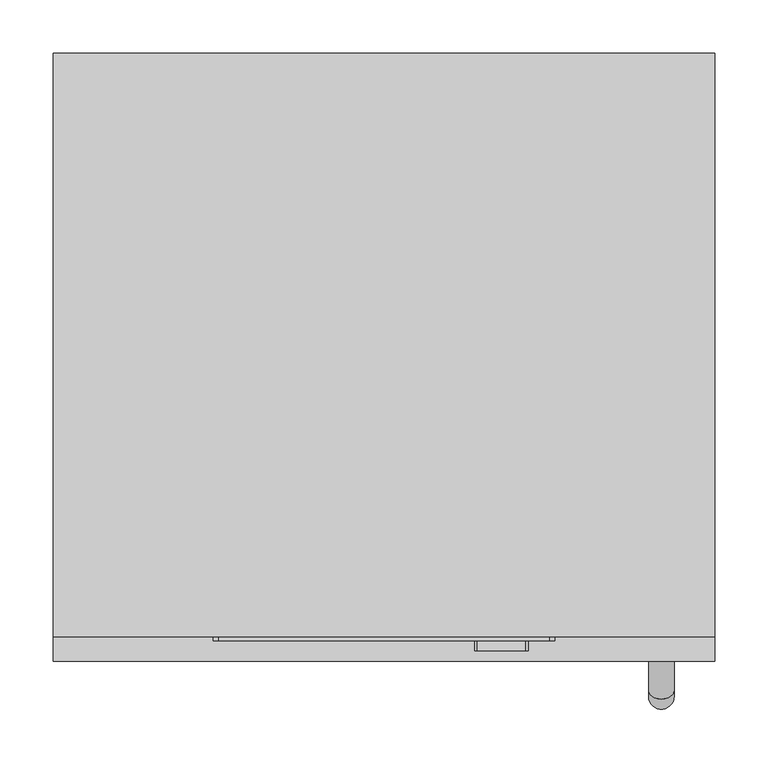
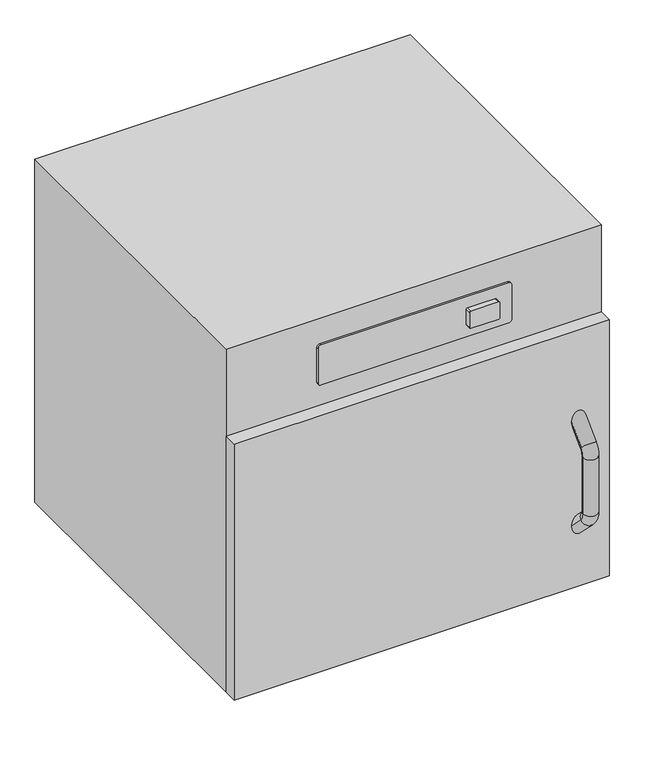
"""IFC4 building model written with IfcOpenShell, lengths in millimetres: proxy geometry."""

from ifc_helpers import new_model, si_unit, point, frame, frame_2d, origin, origin_with_axes, place, context, project, spatial, polyline, circle_curve, ellipse_curve, trimmed, segment, composite_curve, outline, extrude, source, transform, mapped, element, save
from ifc_brep_helpers import plane_surface, cylinder_surface, revolved_surface, advanced_brep


def specialty_equipment_438b1718(model_context):
    return source(origin(), model_context, "Body", "SolidModel", [
        extrude(outline(polyline([(285.0, 260.0), (285.0, -237.0601955), (-285.0, -237.0601955), (-285.0, 260.0), (285.0, 260.0)])), origin_with_axes(), (0.0, 0.0, 1.0), 30.28475),
        advanced_brep(
        [(248.0, -262.0601955, 342.780744), (272.0, -262.0601955, 342.780744), (248.0, -311.9082174, 292.9327221), (272.0, -311.9082174, 292.9327221), (272.0, -317.7660818, 278.7905865), (248.0, -317.7660818, 278.7905865), (248.0, -317.7660818, 180.359129), (272.0, -317.7660818, 180.359129), (248.0, -262.0601955, 116.3689715), (272.0, -262.0601955, 116.3689715), (272.0, -311.9082174, 166.2169934), (248.0, -311.9082174, 166.2169934)],
        [
            (0, 1, circle_curve(frame((260.0, -262.0601955, 342.780744), z_axis=(0.0, 0.7071067811865482, 0.7071067811865468), x_axis=(1.0, 0.0, 0.0)), 12.0)),
            (1, 0, circle_curve(frame((260.0, -262.0601955, 342.780744), z_axis=(0.0, 0.7071067811865482, 0.7071067811865468), x_axis=(1.0, 0.0, 0.0)), 12.0)),
            (0, 2),
            (2, 3, circle_curve(frame((260.0, -311.9082174, 292.9327221), z_axis=(0.0, 0.7071067811865482, 0.7071067811865468), x_axis=(1.0, 0.0, 0.0)), 12.0)),
            (3, 1),
            (3, 2, circle_curve(frame((260.0, -311.9082174, 292.9327221), z_axis=(0.0, 0.7071067811865482, 0.7071067811865468), x_axis=(1.0, 0.0, 0.0)), 12.0)),
            (4, 3, circle_curve(frame((272.0, -297.7660818, 278.7905865), z_axis=(-1.0, 0.0, 0.0), x_axis=(0.0, -0.7071067811865424, 0.7071067811865527)), 20.0)),
            (2, 5, circle_curve(frame((248.0, -297.7660818, 278.7905865), z_axis=(1.0, 0.0, 0.0), x_axis=(0.0, -0.7071067811865424, 0.7071067811865527)), 20.0)),
            (5, 4, circle_curve(frame((260.0, -317.7660818, 278.7905865), z_axis=(0.0, 0.0, 1.0), x_axis=(1.0, 0.0, 0.0)), 12.0)),
            (4, 5, circle_curve(frame((260.0, -317.7660818, 278.7905865), z_axis=(0.0, 0.0, 1.0), x_axis=(1.0, 0.0, 0.0)), 12.0)),
            (5, 6),
            (6, 7, circle_curve(frame((260.0, -317.7660818, 180.359129), z_axis=(0.0, 0.0, 1.0), x_axis=(1.0, 0.0, 0.0)), 12.0)),
            (7, 4),
            (7, 6, circle_curve(frame((260.0, -317.7660818, 180.359129), z_axis=(0.0, 0.0, 1.0), x_axis=(1.0, 0.0, 0.0)), 12.0)),
            (8, 9, circle_curve(frame((260.0, -262.0601955, 116.3689715), z_axis=(0.0, 0.7071067811865528, -0.7071067811865425), x_axis=(1.0, 0.0, 0.0)), 12.0)),
            (9, 8, circle_curve(frame((260.0, -262.0601955, 116.3689715), z_axis=(0.0, 0.7071067811865528, -0.7071067811865425), x_axis=(1.0, 0.0, 0.0)), 12.0)),
            (10, 7, circle_curve(frame((272.0, -297.7660818, 180.359129), z_axis=(-1.0, 0.0, 0.0), x_axis=(0.0, -1.0, 0.0)), 20.0)),
            (6, 11, circle_curve(frame((248.0, -297.7660818, 180.359129), z_axis=(1.0, 0.0, 0.0), x_axis=(0.0, -1.0, 0.0)), 20.0)),
            (11, 10, circle_curve(frame((260.0, -311.9082174, 166.2169934), z_axis=(0.0, -0.7071067811865582, 0.7071067811865368), x_axis=(1.0, 0.0, 0.0)), 12.0)),
            (10, 11, circle_curve(frame((260.0, -311.9082174, 166.2169934), z_axis=(0.0, -0.7071067811865566, 0.7071067811865385), x_axis=(1.0, 0.0, 0.0)), 12.0)),
            (11, 8),
            (9, 10),
        ],
        [
            plane_surface(frame((0.0, -262.0601955, 342.780744), z_axis=(0.0, 0.7071067811865482, 0.7071067811865468), x_axis=(1.0, 0.0, 0.0))),
            cylinder_surface(frame((260.0, -262.0601955, 342.780744), z_axis=(0.0, 0.7071067811865482, 0.7071067811865468), x_axis=(1.0, 0.0, 0.0)), 12.0),
            revolved_surface(trimmed(ellipse_curve(frame((260.0, -311.9082174, 292.9327221), z_axis=(0.0, 0.7071067811865527, 0.7071067811865424), x_axis=(1.0, 0.0, 0.0)), 12.0, 12.0), [point((248.0, -311.9082174, 292.9327221))], [point((272.0, -311.9082174, 292.9327221))], True, "CARTESIAN"), (0.0, -297.7660818, 278.7905865), (1.0, 0.0, 0.0)),
            revolved_surface(trimmed(ellipse_curve(frame((260.0, -311.9082174, 292.9327221), z_axis=(0.0, 0.7071067811865527, 0.7071067811865424), x_axis=(1.0, 0.0, 0.0)), 12.0, 12.0), [point((272.0, -311.9082174, 292.9327221))], [point((248.0, -311.9082174, 292.9327221))], True, "CARTESIAN"), (0.0, -297.7660818, 278.7905865), (1.0, 0.0, 0.0)),
            cylinder_surface(frame((260.0, -317.7660818, 278.7905865), z_axis=(0.0, 0.0, 1.0), x_axis=(1.0, 0.0, 0.0)), 12.0),
            plane_surface(frame((0.0, -262.0601955, 116.3689715), z_axis=(0.0, 0.7071067811865529, -0.7071067811865424), x_axis=(1.0, 0.0, 0.0))),
            revolved_surface(trimmed(ellipse_curve(frame((260.0, -317.7660818, 180.359129), z_axis=(0.0, 0.0, 1.0), x_axis=(1.0, 0.0, 0.0)), 12.0, 12.0), [point((248.0, -317.7660818, 180.359129))], [point((272.0, -317.7660818, 180.359129))], True, "CARTESIAN"), (0.0, -297.7660818, 180.359129), (1.0, 0.0, 0.0)),
            revolved_surface(trimmed(ellipse_curve(frame((260.0, -317.7660818, 180.359129), z_axis=(0.0, 0.0, 1.0), x_axis=(1.0, 0.0, 0.0)), 12.0, 12.0), [point((272.0, -317.7660818, 180.359129))], [point((248.0, -317.7660818, 180.359129))], True, "CARTESIAN"), (0.0, -297.7660818, 180.359129), (1.0, 0.0, 0.0)),
            cylinder_surface(frame((260.0, -311.9082174, 166.2169934), z_axis=(0.0, -0.7071067811865528, 0.7071067811865425), x_axis=(1.0, 0.0, 0.0)), 12.0),
        ],
        [
            (0, [[1, 2]]),
            (1, [[-1, 3, 4, 5]]),
            (1, [[-2, -5, 6, -3]]),
            (2, [[7, -4, 8, 9]]),
            (3, [[-8, -6, -7, 10]]),
            (4, [[-9, 11, 12, 13]]),
            (4, [[-10, -13, 14, -11]]),
            (5, [[15, 16]]),
            (6, [[17, -12, 18, 19]]),
            (7, [[-18, -14, -17, 20]]),
            (8, [[-19, 21, -16, 22]]),
            (8, [[-20, -22, -15, -21]]),
        ],
    ),
        extrude(outline(composite_curve([segment(trimmed(circle_curve(frame_2d((563.0179152, 87.0)), 2.0), [point((565.0179152, 87.0))], [point((563.0179152, 85.0))], False, "CARTESIAN"), True, "CONTINUOUS"), segment(polyline([(563.0179152, 85.0), (537.0179152, 85.0)]), True, "CONTINUOUS"), segment(trimmed(circle_curve(frame_2d((537.0179152, 87.0)), 2.0), [point((537.0179152, 85.0))], [point((535.0179152, 87.0))], False, "CARTESIAN"), True, "CONTINUOUS"), segment(polyline([(535.0179152, 87.0), (535.0179152, 133.0)]), True, "CONTINUOUS"), segment(trimmed(circle_curve(frame_2d((537.0179152, 133.0)), 2.0), [point((535.0179152, 133.0))], [point((537.0179152, 135.0))], False, "CARTESIAN"), True, "CONTINUOUS"), segment(polyline([(537.0179152, 135.0), (563.0179152, 135.0)]), True, "CONTINUOUS"), segment(trimmed(circle_curve(frame_2d((563.0179152, 133.0)), 2.0), [point((563.0179152, 135.0))], [point((565.0179152, 133.0))], False, "CARTESIAN"), True, "CONTINUOUS"), segment(polyline([(565.0179152, 133.0), (565.0179152, 87.0)]), True, "CONTINUOUS")], self_intersect=False)), frame((0.0, -274.983558, 0.0), z_axis=(0.0, 1.0, 0.0), x_axis=(0.0, 0.0, 1.0)), (0.0, 0.0, 1.0), 9.4560425),
        extrude(outline(composite_curve([segment(polyline([(585.0179152, 155.0), (585.0179152, -155.0)]), True, "CONTINUOUS"), segment(trimmed(circle_curve(frame_2d((580.0179152, -155.0)), 5.0), [point((585.0179152, -155.0))], [point((580.0179152, -160.0))], False, "CARTESIAN"), True, "CONTINUOUS"), segment(polyline([(580.0179152, -160.0), (520.0179152, -160.0)]), True, "CONTINUOUS"), segment(trimmed(circle_curve(frame_2d((520.0179152, -155.0)), 5.0), [point((520.0179152, -160.0))], [point((515.0179152, -155.0))], False, "CARTESIAN"), True, "CONTINUOUS"), segment(polyline([(515.0179152, -155.0), (515.0179152, 155.0)]), True, "CONTINUOUS"), segment(trimmed(circle_curve(frame_2d((520.0179152, 155.0)), 5.0), [point((515.0179152, 155.0))], [point((520.0179152, 160.0))], False, "CARTESIAN"), True, "CONTINUOUS"), segment(polyline([(520.0179152, 160.0), (580.0179152, 160.0)]), True, "CONTINUOUS"), segment(trimmed(circle_curve(frame_2d((580.0179152, 155.0)), 5.0), [point((580.0179152, 160.0))], [point((585.0179152, 155.0))], False, "CARTESIAN"), True, "CONTINUOUS")], self_intersect=False)), frame((0.0, -265.5275156, 0.0), z_axis=(0.0, 1.0, 0.0), x_axis=(0.0, 0.0, 1.0)), (0.0, 0.0, 1.0), 3.46732),
        extrude(outline(polyline([(310.0, -285.0), (-310.0, -285.0), (-310.0, -262.0601955), (310.0, -262.0601955), (310.0, -285.0)])), frame((0.0, 0.0, 30.28475), z_axis=(0.0, 0.0, 1.0), x_axis=(1.0, 0.0, 0.0)), (0.0, 0.0, 1.0), 447.405289),
        extrude(outline(polyline([(310.0, 285.0), (310.0, -262.0601955), (-310.0, -262.0601955), (-310.0, 285.0), (310.0, 285.0)])), frame((0.0, 0.0, 30.28475), z_axis=(0.0, 0.0, 1.0), x_axis=(1.0, 0.0, 0.0)), (0.0, 0.0, 1.0), 599.71525),
    ])


if __name__ == "__main__":
    model = new_model("IFC4")
    model_context = context("Model", 3, world=origin())
    ifc_project = project(units=[si_unit("LENGTHUNIT", "METRE", prefix="MILLI")], contexts=[model_context])
    site = spatial("IfcSite", under=ifc_project)
    building = spatial("IfcBuilding", under=site)
    placement = place(None, origin())
    specialty_equipment_shape = specialty_equipment_438b1718(model_context)
    element("IfcBuildingElementProxy", 1, Name="Specialty Equipment", at=placement, inside=building, context=model_context, shape_type="MappedRepresentation", body=[
        mapped(specialty_equipment_shape, transform((0.0, 0.0, 0.0), x_axis=(1.0, 0.0, 0.0), y_axis=(0.0, 1.0, 0.0), z_axis=(0.0, 0.0, 1.0))),
    ])
    save(model, "model.ifc")
